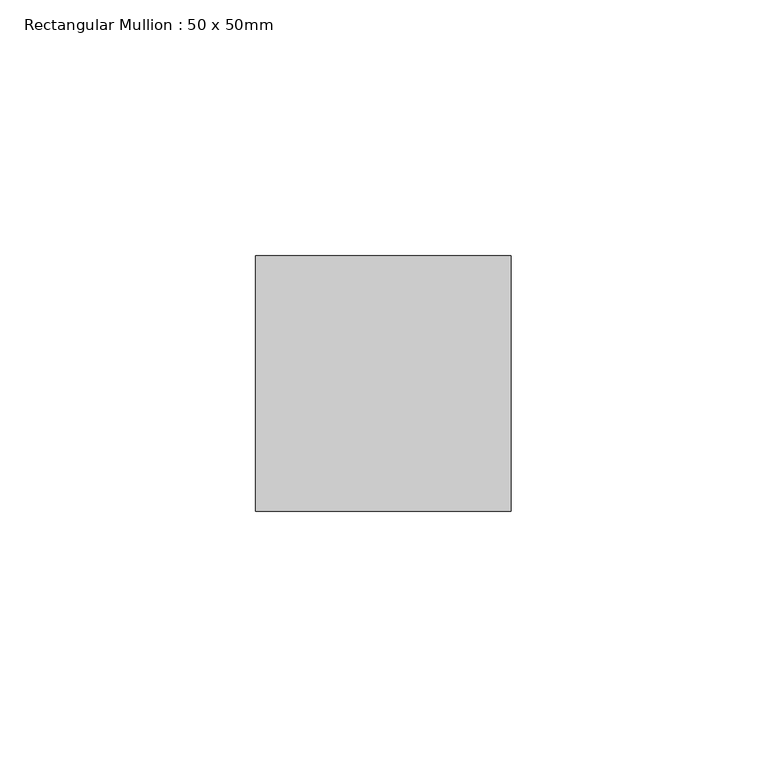
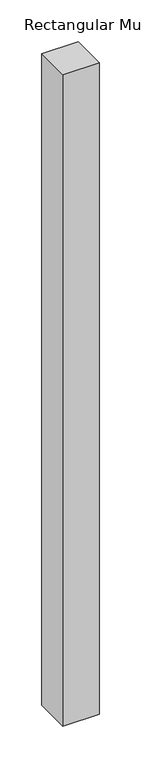
"""IFC4 building model written with IfcOpenShell, lengths in millimetres: member geometry, Rectangular Mullion : 50 x 50mm."""

import ifcopenshell
import ifcopenshell.guid

model = None  # the IFC model being written
_history = None  # IfcOwnerHistory: only IFC2X3 demands one
_inside = {}  # id of a spatial element -> (the spatial element, [elements in it])
_under = {}  # id of a project, library or spatial element -> (it, [spatial elements below it])
_declared = {}  # id of a project -> (the project, [libraries it declares])
_typed = {}  # id of a type object -> (the type object, [elements of that type])
_made_of = {}  # id of a material, layer set ... -> (it, [elements and type objects made of it])


def new_model(schema):
    """Start an empty IFC model of exactly this schema.

    Asked for "IFC4X3", IfcOpenShell would pick the latest addendum, in which some entities
    have other attributes; the version numbers below select the first issue.
    IFC2X3 requires an IfcOwnerHistory on every rooted entity: one is made here for all.
    """
    global model, _history
    if schema == "IFC4X3":
        model = ifcopenshell.file(schema_version=(4, 3, 0, 0))
    else:
        model = ifcopenshell.file(schema=schema)
    _inside.clear()
    _under.clear()
    _declared.clear()
    _typed.clear()
    _made_of.clear()
    _history = None
    if model.schema == "IFC2X3":
        org = make("IfcOrganization", Name="unknown")
        user = make(
            "IfcPersonAndOrganization",
            ThePerson=make("IfcPerson", FamilyName="unknown"),
            TheOrganization=org,
        )
        app = make(
            "IfcApplication",
            ApplicationDeveloper=org,
            Version="unknown",
            ApplicationFullName="unknown",
            ApplicationIdentifier="unknown",
        )
        _history = make(
            "IfcOwnerHistory",
            OwningUser=user,
            OwningApplication=app,
            ChangeAction="ADDED",
            CreationDate=0,
        )
    return model


def make(cls, **values):
    """One entity of the class cls with the attributes given. An attribute that is None is left unset."""
    return model.create_entity(
        cls, **{name: value for name, value in values.items() if value is not None}
    )


def rooted(cls, **values):
    """An entity with a GlobalId (a new one), such as an element, a storey or a relation."""
    return make(cls, GlobalId=ifcopenshell.guid.new(), OwnerHistory=_history, **values)


def si_unit(unit_type, name, prefix=None):
    """IfcSIUnit, for example si_unit("LENGTHUNIT", "METRE", prefix="MILLI")."""
    return make("IfcSIUnit", UnitType=unit_type, Prefix=prefix, Name=name)


def assignment(units):
    """IfcUnitAssignment: the units of a project."""
    return None if units is None else make("IfcUnitAssignment", Units=units)


def point(xyz):
    """IfcCartesianPoint."""
    return None if xyz is None else make("IfcCartesianPoint", Coordinates=xyz)


def direction(xyz):
    """IfcDirection."""
    return None if xyz is None else make("IfcDirection", DirectionRatios=xyz)


def frame(location, z_axis=None, x_axis=None):
    """IfcAxis2Placement3D, a coordinate frame: its origin and axes. An axis left out is left unset."""
    return make(
        "IfcAxis2Placement3D",
        Location=point(location),
        Axis=direction(z_axis),
        RefDirection=direction(x_axis),
    )


def origin():
    """The frame at (0, 0, 0) with its axes left unset."""
    return frame((0.0, 0.0, 0.0))


def place(relative_to, where):
    """IfcLocalPlacement: puts the frame where relative to a parent placement (None: the world)."""
    return make(
        "IfcLocalPlacement", PlacementRelTo=relative_to, RelativePlacement=where
    )


def context(
    kind, dimensions, precision=None, world=None, true_north=None, identifier=None
):
    """IfcGeometricRepresentationContext, for example the 3D "Model" context."""
    return make(
        "IfcGeometricRepresentationContext",
        ContextIdentifier=identifier,
        ContextType=kind,
        CoordinateSpaceDimension=dimensions,
        Precision=precision,
        WorldCoordinateSystem=world,
        TrueNorth=true_north,
    )


def project(units=None, contexts=None):
    """IfcProject with its units and contexts."""
    return rooted(
        "IfcProject",
        Name="project",
        RepresentationContexts=contexts,
        UnitsInContext=assignment(units),
    )


def spatial(cls, under=None, at=None, **own):
    """A site, building, storey or space (cls), placed at a placement, below another one or the project."""
    s = rooted(cls, ObjectPlacement=at, **own)
    if under is not None:
        _under.setdefault(under.id(), (under, []))[1].append(s)
    return s


def polyline(points):
    """IfcPolyline through the points."""
    return make("IfcPolyline", Points=[point(p) for p in points])


def outline(outer, holes=None, kind="AREA"):
    """IfcArbitraryClosedProfileDef: a profile drawn as a closed curve; with holes, ...WithVoids."""
    if holes is None:
        return make("IfcArbitraryClosedProfileDef", ProfileType=kind, OuterCurve=outer)
    return make(
        "IfcArbitraryProfileDefWithVoids",
        ProfileType=kind,
        OuterCurve=outer,
        InnerCurves=holes,
    )


def extrude(swept, where, along, depth):
    """IfcExtrudedAreaSolid: the profile swept, set in the frame where, extruded along a direction by depth."""
    return make(
        "IfcExtrudedAreaSolid",
        SweptArea=swept,
        Position=where,
        ExtrudedDirection=direction(along),
        Depth=depth,
    )


def shape(context_of_items, identifier, shape_type, items):
    """IfcShapeRepresentation: the items that make up one representation, for example the "Body"."""
    return make(
        "IfcShapeRepresentation",
        ContextOfItems=context_of_items,
        RepresentationIdentifier=identifier,
        RepresentationType=shape_type,
        Items=items,
    )


def source(mapping_origin, context_of_items, identifier, shape_type, items):
    """IfcRepresentationMap: a shape defined once, which mapped items show again and again."""
    return make(
        "IfcRepresentationMap",
        MappingOrigin=mapping_origin,
        MappedRepresentation=shape(context_of_items, identifier, shape_type, items),
    )


def transform(
    local_origin,
    x_axis=None,
    y_axis=None,
    z_axis=None,
    scale=None,
    scale2=None,
    scale3=None,
    uniform=True,
):
    """IfcCartesianTransformationOperator3D, or its non-uniform kind. x_axis, y_axis, z_axis: its Axis1, 2, 3."""
    if uniform:
        return make(
            "IfcCartesianTransformationOperator3D",
            Axis1=direction(x_axis),
            Axis2=direction(y_axis),
            LocalOrigin=point(local_origin),
            Scale=scale,
            Axis3=direction(z_axis),
        )
    return make(
        "IfcCartesianTransformationOperator3DnonUniform",
        Axis1=direction(x_axis),
        Axis2=direction(y_axis),
        LocalOrigin=point(local_origin),
        Scale=scale,
        Axis3=direction(z_axis),
        Scale2=scale2,
        Scale3=scale3,
    )


def mapped(mapping_source, mapping_target):
    """IfcMappedItem: shows the shape of a source again, moved by a transform."""
    return make(
        "IfcMappedItem", MappingSource=mapping_source, MappingTarget=mapping_target
    )


def made_of(thing, what):
    """Note that an element or type object is made of a material, layer set ...; save() writes the relation."""
    if what is not None:
        _made_of.setdefault(what.id(), (what, []))[1].append(thing)
    return thing


def element(
    cls,
    number,
    at=None,
    inside=None,
    cuts=None,
    type_object=None,
    material=None,
    context=None,
    identifier="Body",
    shape_type=None,
    held_by="IfcProductDefinitionShape",
    body=None,
    shapes=None,
    **own,
):
    """One element of the class cls, such as IfcWall. Its Tag is "e" and its number.

    at: its placement. inside: the storey or other place that contains it. cuts: it is an
    opening in that element (IfcRelVoidsElement). A single representation is given by context,
    identifier, shape_type and body (its items); several are given by shapes. held_by: the class
    of the entity that holds the representations. save() writes the other relations.
    """
    e = rooted(cls, Tag="e%d" % number, ObjectPlacement=at, **own)
    if body is not None:
        shapes = [shape(context, identifier, shape_type, body)]
    if shapes is not None:
        e.Representation = make(held_by, Representations=shapes)
    if inside is not None:
        _inside.setdefault(inside.id(), (inside, []))[1].append(e)
    if cuts is not None:
        rooted(
            "IfcRelVoidsElement", RelatingBuildingElement=cuts, RelatedOpeningElement=e
        )
    if type_object is not None:
        _typed.setdefault(type_object.id(), (type_object, []))[1].append(e)
    return made_of(e, material)


def aggregate(whole, parts):
    """IfcRelAggregates: a whole, such as a stair, and the parts it consists of."""
    return rooted("IfcRelAggregates", RelatingObject=whole, RelatedObjects=parts)


def save(model, path):
    """Write the relations noted so far, then the file.

    IfcRelAggregates (storeys below a building ...), IfcRelContainedInSpatialStructure (elements
    in a storey), IfcRelDefinesByType, IfcRelAssociatesMaterial and IfcRelDeclares: one each for
    every whole, place, type object, material and project.
    """
    for whole, parts in _under.values():
        aggregate(whole, parts)
    for where, things in _inside.values():
        rooted(
            "IfcRelContainedInSpatialStructure",
            RelatedElements=things,
            RelatingStructure=where,
        )
    for kind, things in _typed.values():
        rooted("IfcRelDefinesByType", RelatedObjects=things, RelatingType=kind)
    for what, things in _made_of.values():
        rooted("IfcRelAssociatesMaterial", RelatedObjects=things, RelatingMaterial=what)
    for by, libraries in _declared.values():
        rooted("IfcRelDeclares", RelatingContext=by, RelatedDefinitions=libraries)
    model.write(path)


def rectangular_mullion_50_x_50mm_d828c9ab(model_context):
    return source(origin(), model_context, "Body", "SweptSolid", [
        extrude(outline(polyline([(0.0, 50.0), (0.0, 0.0), (-50.0, 0.0), (-50.0, 50.0), (0.0, 50.0)])), frame((0.0, 0.0, -950.0), z_axis=(0.0, 0.0, 1.0), x_axis=(1.0, 0.0, 0.0)), (0.0, 0.0, 1.0), 950.0),
    ])


if __name__ == "__main__":
    model = new_model("IFC4")
    model_context = context("Model", 3, world=origin())
    ifc_project = project(units=[si_unit("LENGTHUNIT", "METRE", prefix="MILLI")], contexts=[model_context])
    site = spatial("IfcSite", under=ifc_project)
    building = spatial("IfcBuilding", under=site)
    placement = place(None, origin())
    rectangular_mullion_50_x_50mm_shape = rectangular_mullion_50_x_50mm_d828c9ab(model_context)
    element("IfcMember", 1, ObjectType="Rectangular Mullion : 50 x 50mm", at=placement, inside=building, context=model_context, shape_type="MappedRepresentation", body=[
        mapped(rectangular_mullion_50_x_50mm_shape, transform((0.0, 0.0, 0.0), x_axis=(1.0, 0.0, 0.0), y_axis=(0.0, 1.0, 0.0), z_axis=(0.0, 0.0, 1.0))),
    ])
    save(model, "model.ifc")
